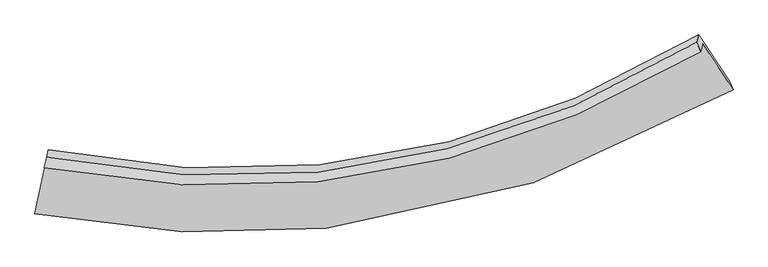
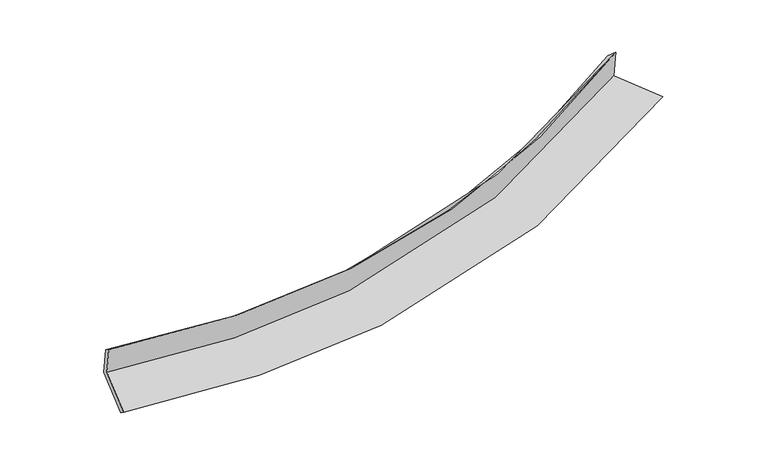
"""IFC4 building model written with IfcOpenShell, lengths in millimetres: proxy geometry."""

from ifc_helpers import new_model, si_unit, frame, origin, place, context, project, spatial, source, transform, mapped, element, save
from ifc_brep_helpers import plane_surface, spline_curve, spline_surface, advanced_brep


def generic_models_ceb1897e(model_context):
    return source(origin(), model_context, "Body", "AdvancedBrep", [
        advanced_brep(
        [(-3742.8264062, -1885.0335116, 1613.0012816), (-3877.5895826, -2523.7254993, 1461.6042871), (4483.5800018, -1040.0076766, 2281.6094467), (4120.7794564, -491.0251262, 2382.8926884), (-3766.6959544, -1973.8713106, 2009.0245097), (4096.2539416, -582.3043053, 2789.799158), (-3738.7194796, -1848.1773602, 1920.3887272), (4046.739592, -472.0827672, 2693.6369543), (-3714.9972743, -1759.8879427, 1526.8100869), (4070.7762389, -382.6230593, 2294.8413659), (-3850.7699126, -2403.36414, 1374.2790325), (4434.9969909, -933.754638, 2193.1616442)],
        [
            (0, 1),
            (1, 2, spline_curve(3, [(-3877.5895826, -2523.7254993, 1461.6042871), (-2687.926589043, -2753.790169093, 1480.112580962), (-1525.691892851, -2811.195247806, 1535.432328479), (1294.431177955, -2524.774667314, 1764.388852133), (2919.253009944, -1972.796980635, 1982.404157298), (4483.5800018, -1040.0076766, 2281.6094467)], [4, 2, 4], [0.0, 11.131409407144218, 27.66281941504394])),
            (2, 3),
            (3, 0, spline_curve(3, [(4120.7794564, -491.0251262, 2382.8926884), (2649.449870215, -1371.112507283, 2101.114985008), (1121.281550486, -1891.203823439, 1896.078187797), (-1530.988515106, -2159.099060984, 1681.394377886), (-2624.022149082, -2103.677206551, 1629.80070635), (-3742.8264062, -1885.0335116, 1613.0012816)], [4, 2, 4], [0.0, 16.531410007899723, 27.66281941504394])),
            (4, 0),
            (3, 5),
            (5, 4, spline_curve(3, [(4096.2539416, -582.3043053, 2789.799158), (2625.324514708, -1460.902372565, 2501.382356112), (1097.39530542, -1980.103764211, 2292.378432069), (-1554.744133247, -2247.512834831, 2075.527378311), (-2647.798222933, -2192.167112153, 2024.273085957), (-3766.6959544, -1973.8713106, 2009.0245097)], [4, 2, 4], [0.0, 16.02554322896976, 26.81632771549003])),
            (6, 4),
            (5, 7),
            (7, 6, spline_curve(3, [(4046.739592, -472.0827672, 2693.6369543), (2591.541394507, -1351.340633465, 2400.481290184), (1079.167148406, -1868.965634933, 2190.466438508), (-1547.238362721, -2129.994932536, 1978.161883957), (-2630.01714099, -2071.068128118, 1930.427326735), (-3738.7194796, -1848.1773602, 1920.3887272)], [4, 2, 4], [0.0, 15.951524646785634, 26.69246879048977])),
            (8, 6),
            (7, 9),
            (9, 8, spline_curve(3, [(4070.7762389, -382.6230593, 2294.8413659), (2615.297372141, -1262.925522018, 2006.342329154), (1102.772753657, -1781.110180779, 1798.822329758), (-1523.666351377, -2042.264506764, 1587.075129877), (-2606.399570462, -1983.168142122, 1538.584702863), (-3714.9972743, -1759.8879427, 1526.8100869)], [4, 2, 4], [0.0, 15.877545674611353, 26.568676146862288])),
            (10, 8),
            (9, 11),
            (11, 10, spline_curve(3, [(4434.9969909, -933.754638, 2193.1616442), (2885.668970583, -1860.711645914, 1888.540260352), (1275.858863655, -2408.662935781, 1668.479171613), (-1519.123008821, -2691.367849256, 1441.739047017), (-2671.23520343, -2633.286393358, 1388.839264744), (-3850.7699126, -2403.36414, 1374.2790325)], [4, 2, 4], [0.0, 16.38298384581833, 27.414450636085366])),
            (1, 10),
            (11, 2),
        ],
        [
            spline_surface(3, 3, [[(-3742.8264062, -1885.0335116, 1613.0012816), (-2624.02214924, -2103.677206679, 1629.80070638), (-1530.988515025, -2159.099060932, 1681.394377895), (1121.281550365, -1891.203823516, 1896.078187783), (2649.449870292, -1371.112507457, 2101.114985194), (4120.7794564, -491.0251262, 2382.8926884)], [(-3787.747464973, -2097.930840809, 1562.535616756), (-2645.323629127, -2320.381527407, 1579.904664508), (-1529.22297427, -2376.464456585, 1632.740361447), (1178.998092897, -2102.394104795, 1852.181742522), (2739.384250145, -1571.673998557, 2061.544709263), (4241.712971513, -674.01930965, 2349.13160782)], [(-3832.668523827, -2310.828170091, 1512.069951944), (-2666.625109095, -2537.085848205, 1530.008622667), (-1527.457433572, -2593.829852172, 1584.08634501), (1236.714635374, -2313.584386006, 1808.28529727), (2829.318630059, -1772.235489705, 2021.974433371), (4362.646486687, -857.01349315, 2315.37052728)], [(-3877.5895826, -2523.7254993, 1461.6042871), (-2687.926588982, -2753.790168932, 1480.112580795), (-1525.691892817, -2811.195247825, 1535.432328562), (1294.431177906, -2524.774667285, 1764.388852009), (2919.253009911, -1972.796980804, 1982.40415744), (4483.5800018, -1040.0076766, 2281.6094467)]], [4, 4], [4, 2, 4], [0.0, 2.1755010690721126], [0.0, 11.131409407144218, 27.66281941504394]),
            spline_surface(3, 3, [[(-3766.6959544, -1973.8713106, 2009.0245097), (-2647.79822298, -2192.167111987, 2024.273085803), (-1554.744133326, -2247.512834976, 2075.527378195), (1097.395305537, -1980.103763995, 2292.378432241), (2625.324514569, -1460.902372583, 2501.382355956), (4096.2539416, -582.3043053, 2789.799158)], [(-3758.739438356, -1944.258710956, 1877.016766997), (-2639.87286509, -2162.670476907, 1892.782292658), (-1546.825593912, -2218.041576936, 1944.149711414), (1105.357387127, -1950.470450476, 2160.278350741), (2633.366299825, -1430.972417573, 2367.95989904), (4104.429113215, -551.877912298, 2654.163668138)], [(-3750.782922244, -1914.646111244, 1745.009024303), (-2631.94750713, -2133.17384176, 1761.291499525), (-1538.907054438, -2188.570318972, 1812.772044676), (1113.319468776, -1920.837137034, 2028.178269284), (2641.408085036, -1401.042462468, 2234.53744211), (4112.604284785, -521.451519202, 2518.528178262)], [(-3742.8264062, -1885.0335116, 1613.0012816), (-2624.02214924, -2103.677206679, 1629.80070638), (-1530.988515025, -2159.099060932, 1681.394377895), (1121.281550365, -1891.203823516, 1896.078187783), (2649.449870292, -1371.112507457, 2101.114985194), (4120.7794564, -491.0251262, 2382.8926884)]], [4, 4], [4, 2, 4], [0.0, 1.3333079095322935], [0.0, 10.790784486520272, 26.81632771549003]),
            spline_surface(3, 3, [[(-3738.7194796, -1848.1773602, 1920.3887272), (-2630.017140841, -2071.068128223, 1930.42732673), (-1547.238362896, -2129.994932436, 1978.161884078), (1079.167148665, -1868.965635081, 2190.466438328), (2591.541394605, -1351.340633208, 2400.481290012), (4046.739592, -472.0827672, 2693.6369543)], [(-3748.044971206, -1890.075343664, 1949.933988038), (-2635.944168227, -2111.434456142, 1961.709246426), (-1549.740286366, -2169.167566626, 2010.617048799), (1085.243200962, -1906.011678062, 2224.437102981), (2602.802434587, -1387.861212995, 2434.114978661), (4063.244375194, -508.823279895, 2725.6910222)], [(-3757.370462794, -1931.973327136, 1979.479248862), (-2641.871195594, -2151.800784068, 1992.991166107), (-1552.242209855, -2208.340200786, 2043.072213474), (1091.319253241, -1943.057721013, 2258.407767588), (2614.063474587, -1424.381792796, 2467.748667308), (4079.749158406, -545.563792605, 2757.7450901)], [(-3766.6959544, -1973.8713106, 2009.0245097), (-2647.79822298, -2192.167111987, 2024.273085803), (-1554.744133326, -2247.512834976, 2075.527378195), (1097.395305537, -1980.103763995, 2292.378432241), (2625.324514569, -1460.902372583, 2501.382355956), (4096.2539416, -582.3043053, 2789.799158)]], [4, 4], [4, 2, 4], [0.0, 0.4973688183123913], [0.0, 10.740944143704136, 26.69246879048977]),
            spline_surface(3, 3, [[(-3714.9972743, -1759.8879427, 1526.8100869), (-2606.399570629, -1983.168142096, 1538.584702757), (-1523.66635137, -2042.264506626, 1587.075129745), (1102.772753647, -1781.110180983, 1798.822329955), (2615.297372112, -1262.925522002, 2006.342329308), (4070.7762389, -382.6230593, 2294.8413659)], [(-3722.904676047, -1789.317748519, 1658.002966994), (-2614.272094013, -2012.468137457, 1669.198910742), (-1531.523688552, -2071.507981907, 1717.437381187), (1094.904218646, -1810.39533236, 1929.370366077), (2607.378712949, -1292.397225728, 2137.721982875), (4062.764023272, -412.442961924, 2427.773228699)], [(-3730.812077853, -1818.747554381, 1789.195847106), (-2622.144617457, -2041.768132861, 1799.813118745), (-1539.381025713, -2100.751457155, 1847.799632636), (1087.035683666, -1839.680483704, 2059.918402206), (2599.460053768, -1321.868929482, 2269.101636446), (4054.751807628, -442.262864576, 2560.705091501)], [(-3738.7194796, -1848.1773602, 1920.3887272), (-2630.017140841, -2071.068128223, 1930.42732673), (-1547.238362896, -2129.994932436, 1978.161884078), (1079.167148665, -1868.965635081, 2190.466438328), (2591.541394605, -1351.340633208, 2400.481290012), (4046.739592, -472.0827672, 2693.6369543)]], [4, 4], [4, 2, 4], [0.0, 1.319140369096323], [0.0, 10.691130472250935, 26.568676146862288]),
            spline_surface(3, 3, [[(-3850.7699126, -2403.36414, 1374.2790325), (-2671.235203274, -2633.286393507, 1388.839264767), (-1519.123008803, -2691.367849274, 1441.739046836), (1275.858863629, -2408.662935753, 1668.479171881), (2885.668970337, -1860.711645996, 1888.540260347), (4434.9969909, -933.754638, 2193.1616442)], [(-3805.512366495, -2188.872074242, 1425.122717305), (-2649.623325721, -2416.580309712, 1438.754410768), (-1520.637456315, -2475.000068386, 1490.184407801), (1218.163493646, -2199.478684157, 1711.926891234), (2795.545104277, -1661.44960467, 1927.807616653), (4313.590073582, -750.044111773, 2227.054884752)], [(-3760.254820405, -1974.380008458, 1475.966402095), (-2628.011448182, -2199.874225891, 1488.669556755), (-1522.151903858, -2258.632287515, 1538.62976878), (1160.468123631, -1990.294432579, 1755.374610601), (2705.421238172, -1462.187563327, 1967.074973003), (4192.183156218, -566.333585527, 2260.948125348)], [(-3714.9972743, -1759.8879427, 1526.8100869), (-2606.399570629, -1983.168142096, 1538.584702757), (-1523.66635137, -2042.264506626, 1587.075129745), (1102.772753647, -1781.110180983, 1798.822329955), (2615.297372112, -1262.925522002, 2006.342329308), (4070.7762389, -382.6230593, 2294.8413659)]], [4, 4], [4, 2, 4], [0.0, 2.159554392169478], [0.0, 11.031466790267036, 27.414450636085366]),
            spline_surface(3, 3, [[(-3877.5895826, -2523.7254993, 1461.6042871), (-2687.926588982, -2753.790168932, 1480.112580795), (-1525.691892817, -2811.195247825, 1535.432328562), (1294.431177906, -2524.774667285, 1764.388852009), (2919.253009911, -1972.796980804, 1982.40415744), (4483.5800018, -1040.0076766, 2281.6094467)], [(-3868.649692622, -2483.605046209, 1432.49586891), (-2682.362793768, -2713.622243799, 1449.688142129), (-1523.502264821, -2771.25278163, 1504.201234662), (1288.240406472, -2486.070756763, 1732.418958642), (2908.058330044, -1935.435202528, 1951.116191766), (4467.385664824, -1004.58999706, 2252.126845891)], [(-3859.709802578, -2443.484593091, 1403.38745069), (-2676.798998488, -2673.45431864, 1419.263703433), (-1521.3126368, -2731.31031547, 1472.970140736), (1282.049635063, -2447.366846276, 1700.449065248), (2896.863650204, -1898.073424272, 1919.82822602), (4451.191327876, -969.17231754, 2222.644245009)], [(-3850.7699126, -2403.36414, 1374.2790325), (-2671.235203274, -2633.286393507, 1388.839264767), (-1519.123008803, -2691.367849274, 1441.739046836), (1275.858863629, -2408.662935753, 1668.479171881), (2885.668970337, -1860.711645996, 1888.540260347), (4434.9969909, -933.754638, 2193.1616442)]], [4, 4], [4, 2, 4], [0.0, 0.4959343158286819], [0.0, 11.421924652017973, 28.384782866599508]),
            plane_surface(frame((4208.8543703, -650.2995954, 2439.3235429), z_axis=(0.8364270228632356, 0.5218621234705191, 0.1674806242852745), x_axis=(-0.05871007322974362, -0.21850743266597814, 0.9740675690993317))),
            plane_surface(frame((-3781.9331016, -2065.6766274, 1650.8513208), z_axis=(-0.9778067698160295, 0.20916396803251852, -0.012014798326818385), x_axis=(0.20111451514821288, 0.953155253013177, 0.2259380787961291))),
        ],
        [
            (0, [[1, 2, 3, 4]]),
            (1, [[5, -4, 6, 7]]),
            (2, [[8, -7, 9, 10]]),
            (3, [[11, -10, 12, 13]]),
            (4, [[14, -13, 15, 16]]),
            (5, [[17, -16, 18, -2]]),
            (6, [[-12, -9, -6, -3, -18, -15]]),
            (7, [[-1, -5, -8, -11, -14, -17]]),
        ],
    ),
    ])


if __name__ == "__main__":
    model = new_model("IFC4")
    model_context = context("Model", 3, world=origin())
    ifc_project = project(units=[si_unit("LENGTHUNIT", "METRE", prefix="MILLI")], contexts=[model_context])
    site = spatial("IfcSite", under=ifc_project)
    building = spatial("IfcBuilding", under=site)
    placement = place(None, origin())
    generic_models_shape = generic_models_ceb1897e(model_context)
    element("IfcBuildingElementProxy", 1, Name="Generic Models", at=placement, inside=building, context=model_context, shape_type="MappedRepresentation", body=[
        mapped(generic_models_shape, transform((0.0, 0.0, 0.0), x_axis=(1.0, 0.0, 0.0), y_axis=(0.0, 1.0, 0.0), z_axis=(0.0, 0.0, 1.0))),
    ])
    save(model, "model.ifc")
